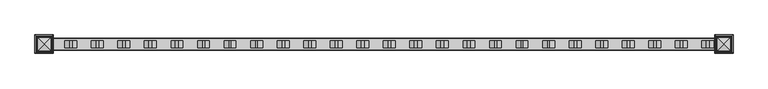
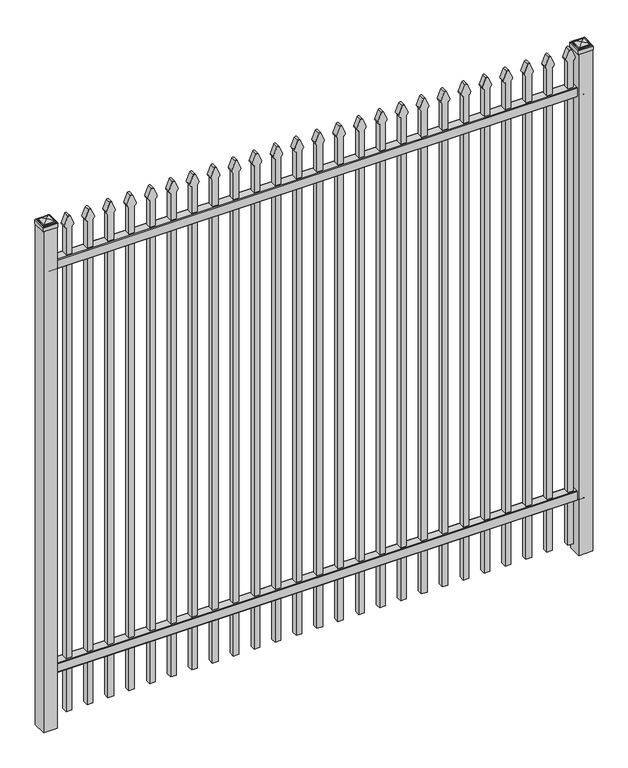
"""IFC4 building model written with IfcOpenShell, lengths in millimetres: railing geometry."""

from ifc_helpers import new_model, si_unit, point, frame, frame_2d, origin, origin_with_axes, place, context, project, spatial, polyline, circle_curve, ellipse_curve, trimmed, segment, composite_curve, outline, extrude, source, transform, mapped, element, save
from ifc_brep_helpers import plane_surface, cylinder_surface, advanced_brep


def railing_db59132d(model_context):
    return source(origin(), model_context, "Body", "SolidModel", [
        extrude(outline(composite_curve([segment(polyline([(7301.9139761, 304.8), (7339.969541, 304.8)]), True, "CONTINUOUS"), segment(trimmed(circle_curve(frame_2d((7339.969541, 301.625)), 3.175), [point((7339.969541, 304.8))], [point((7343.144541, 301.625))], False, "CARTESIAN"), True, "CONTINUOUS"), segment(polyline([(7343.144541, 301.625), (7343.144541, 262.1439893)]), True, "CONTINUOUS"), segment(trimmed(circle_curve(frame_2d((7341.3505518, 262.1439893)), 1.7939893), [point((7343.144541, 262.1439893))], [point((7341.3505518, 260.35))], False, "CARTESIAN"), True, "CONTINUOUS"), segment(polyline([(7341.3505518, 260.35), (7338.7590713, 260.35)]), True, "CONTINUOUS"), segment(trimmed(circle_curve(frame_2d((7338.7590713, 262.1359375)), 1.7859375), [point((7338.7590713, 260.35))], [point((7336.9755813, 262.0424688))], False, "CARTESIAN"), True, "CONTINUOUS"), segment(polyline([(7336.9755813, 262.0424688), (7335.4025867, 292.0569942), (7306.4364954, 292.0569942), (7304.8635007, 262.0424688)]), True, "CONTINUOUS"), segment(trimmed(circle_curve(frame_2d((7303.0800108, 262.1359375)), 1.7859375), [point((7304.8635007, 262.0424688))], [point((7303.0800108, 260.35))], False, "CARTESIAN"), True, "CONTINUOUS"), segment(polyline([(7303.0800108, 260.35), (7300.4804785, 260.35)]), True, "CONTINUOUS"), segment(trimmed(circle_curve(frame_2d((7300.4804785, 262.1359375)), 1.7859375), [point((7300.4804785, 260.35))], [point((7298.694541, 262.1359375))], False, "CARTESIAN"), True, "CONTINUOUS"), segment(polyline([(7298.694541, 262.1359375), (7298.694541, 301.5805649)]), True, "CONTINUOUS"), segment(trimmed(circle_curve(frame_2d((7301.9139761, 301.5805649)), 3.2194351), [point((7298.694541, 301.5805649))], [point((7301.9139761, 304.8))], False, "CARTESIAN"), True, "CONTINUOUS")], self_intersect=False)), frame((-33015.4649936, 0.0, 0.0), z_axis=(1.0, 0.0, 0.0), x_axis=(0.0, 1.0, 0.0)), (0.0, 0.0, 1.0), 2438.4),
        extrude(outline(composite_curve([segment(polyline([(7301.9139761, 2249.4875), (7339.969541, 2249.4875)]), True, "CONTINUOUS"), segment(trimmed(circle_curve(frame_2d((7339.969541, 2246.3125)), 3.175), [point((7339.969541, 2249.4875))], [point((7343.144541, 2246.3125))], False, "CARTESIAN"), True, "CONTINUOUS"), segment(polyline([(7343.144541, 2246.3125), (7343.144541, 2206.8314893)]), True, "CONTINUOUS"), segment(trimmed(circle_curve(frame_2d((7341.3505518, 2206.8314893)), 1.7939893), [point((7343.144541, 2206.8314893))], [point((7341.3505518, 2205.0375))], False, "CARTESIAN"), True, "CONTINUOUS"), segment(polyline([(7341.3505518, 2205.0375), (7338.7590713, 2205.0375)]), True, "CONTINUOUS"), segment(trimmed(circle_curve(frame_2d((7338.7590713, 2206.8234375)), 1.7859375), [point((7338.7590713, 2205.0375))], [point((7336.9755813, 2206.7299688))], False, "CARTESIAN"), True, "CONTINUOUS"), segment(polyline([(7336.9755813, 2206.7299688), (7335.4025867, 2236.7444942), (7306.4364954, 2236.7444942), (7304.8635007, 2206.7299688)]), True, "CONTINUOUS"), segment(trimmed(circle_curve(frame_2d((7303.0800108, 2206.8234375)), 1.7859375), [point((7304.8635007, 2206.7299688))], [point((7303.0800108, 2205.0375))], False, "CARTESIAN"), True, "CONTINUOUS"), segment(polyline([(7303.0800108, 2205.0375), (7300.4804785, 2205.0375)]), True, "CONTINUOUS"), segment(trimmed(circle_curve(frame_2d((7300.4804785, 2206.8234375)), 1.7859375), [point((7300.4804785, 2205.0375))], [point((7298.694541, 2206.8234375))], False, "CARTESIAN"), True, "CONTINUOUS"), segment(polyline([(7298.694541, 2206.8234375), (7298.694541, 2246.2680649)]), True, "CONTINUOUS"), segment(trimmed(circle_curve(frame_2d((7301.9139761, 2246.2680649)), 3.2194351), [point((7298.694541, 2246.2680649))], [point((7301.9139761, 2249.4875))], False, "CARTESIAN"), True, "CONTINUOUS")], self_intersect=False)), frame((-33015.4649936, 0.0, 0.0), z_axis=(1.0, 0.0, 0.0), x_axis=(0.0, 1.0, 0.0)), (0.0, 0.0, 1.0), 2438.4),
        extrude(outline(composite_curve([segment(polyline([(2379.0798417, -30646.9149936), (50.8, -30646.9149936), (50.8, -30621.5149936), (2378.8579232, -30621.5149936)]), True, "CONTINUOUS"), segment(trimmed(circle_curve(frame_2d((2397.3299402, -30635.3872336)), 23.1009622), [point((2378.8579232, -30621.5149936))], [point((2391.8676176, -30612.9413545))], False, "CARTESIAN"), True, "CONTINUOUS"), segment(polyline([(2391.8676176, -30612.9413545), (2432.3555225, -30629.2605644)]), True, "CONTINUOUS"), segment(trimmed(circle_curve(frame_2d((2429.2045804, -30634.3905764)), 6.0204202), [point((2432.3555225, -30629.2605644))], [point((2432.3555225, -30639.5205884))], False, "CARTESIAN"), True, "CONTINUOUS"), segment(polyline([(2432.3555225, -30639.5205884), (2393.1339948, -30655.4687724)]), True, "CONTINUOUS"), segment(trimmed(circle_curve(frame_2d((2397.3299402, -30632.7520716)), 23.1009622), [point((2393.1339948, -30655.4687724))], [point((2379.0798417, -30646.9149936))], False, "CARTESIAN"), True, "CONTINUOUS")], self_intersect=False)), frame((0.0, 7308.219541, 0.0), z_axis=(0.0, 1.0, 0.0), x_axis=(0.0, 0.0, 1.0)), (0.0, 0.0, 1.0), 25.4),
        extrude(outline(composite_curve([segment(polyline([(2379.0798417, -30742.1649936), (50.8, -30742.1649936), (50.8, -30716.7649936), (2378.8579232, -30716.7649936)]), True, "CONTINUOUS"), segment(trimmed(circle_curve(frame_2d((2397.3299402, -30730.6372336)), 23.1009622), [point((2378.8579232, -30716.7649936))], [point((2391.8676176, -30708.1913545))], False, "CARTESIAN"), True, "CONTINUOUS"), segment(polyline([(2391.8676176, -30708.1913545), (2432.3555225, -30724.5105644)]), True, "CONTINUOUS"), segment(trimmed(circle_curve(frame_2d((2429.2045804, -30729.6405764)), 6.0204202), [point((2432.3555225, -30724.5105644))], [point((2432.3555225, -30734.7705884))], False, "CARTESIAN"), True, "CONTINUOUS"), segment(polyline([(2432.3555225, -30734.7705884), (2393.1339948, -30750.7187724)]), True, "CONTINUOUS"), segment(trimmed(circle_curve(frame_2d((2397.3299402, -30728.0020716)), 23.1009622), [point((2393.1339948, -30750.7187724))], [point((2379.0798417, -30742.1649936))], False, "CARTESIAN"), True, "CONTINUOUS")], self_intersect=False)), frame((0.0, 7308.219541, 0.0), z_axis=(0.0, 1.0, 0.0), x_axis=(0.0, 0.0, 1.0)), (0.0, 0.0, 1.0), 25.4),
        extrude(outline(composite_curve([segment(polyline([(2379.0798417, -30837.4149936), (50.8, -30837.4149936), (50.8, -30812.0149936), (2378.8579232, -30812.0149936)]), True, "CONTINUOUS"), segment(trimmed(circle_curve(frame_2d((2397.3299402, -30825.8872336)), 23.1009622), [point((2378.8579232, -30812.0149936))], [point((2391.8676176, -30803.4413545))], False, "CARTESIAN"), True, "CONTINUOUS"), segment(polyline([(2391.8676176, -30803.4413545), (2432.3555225, -30819.7605644)]), True, "CONTINUOUS"), segment(trimmed(circle_curve(frame_2d((2429.2045804, -30824.8905764)), 6.0204202), [point((2432.3555225, -30819.7605644))], [point((2432.3555225, -30830.0205884))], False, "CARTESIAN"), True, "CONTINUOUS"), segment(polyline([(2432.3555225, -30830.0205884), (2393.1339948, -30845.9687724)]), True, "CONTINUOUS"), segment(trimmed(circle_curve(frame_2d((2397.3299402, -30823.2520716)), 23.1009622), [point((2393.1339948, -30845.9687724))], [point((2379.0798417, -30837.4149936))], False, "CARTESIAN"), True, "CONTINUOUS")], self_intersect=False)), frame((0.0, 7308.219541, 0.0), z_axis=(0.0, 1.0, 0.0), x_axis=(0.0, 0.0, 1.0)), (0.0, 0.0, 1.0), 25.4),
        extrude(outline(composite_curve([segment(polyline([(2379.0798417, -30932.6649936), (50.8, -30932.6649936), (50.8, -30907.2649936), (2378.8579232, -30907.2649936)]), True, "CONTINUOUS"), segment(trimmed(circle_curve(frame_2d((2397.3299402, -30921.1372336)), 23.1009622), [point((2378.8579232, -30907.2649936))], [point((2391.8676176, -30898.6913545))], False, "CARTESIAN"), True, "CONTINUOUS"), segment(polyline([(2391.8676176, -30898.6913545), (2432.3555225, -30915.0105644)]), True, "CONTINUOUS"), segment(trimmed(circle_curve(frame_2d((2429.2045804, -30920.1405764)), 6.0204202), [point((2432.3555225, -30915.0105644))], [point((2432.3555225, -30925.2705884))], False, "CARTESIAN"), True, "CONTINUOUS"), segment(polyline([(2432.3555225, -30925.2705884), (2393.1339948, -30941.2187724)]), True, "CONTINUOUS"), segment(trimmed(circle_curve(frame_2d((2397.3299402, -30918.5020716)), 23.1009622), [point((2393.1339948, -30941.2187724))], [point((2379.0798417, -30932.6649936))], False, "CARTESIAN"), True, "CONTINUOUS")], self_intersect=False)), frame((0.0, 7308.219541, 0.0), z_axis=(0.0, 1.0, 0.0), x_axis=(0.0, 0.0, 1.0)), (0.0, 0.0, 1.0), 25.4),
        extrude(outline(composite_curve([segment(polyline([(2379.0798417, -31027.9149936), (50.8, -31027.9149936), (50.8, -31002.5149936), (2378.8579232, -31002.5149936)]), True, "CONTINUOUS"), segment(trimmed(circle_curve(frame_2d((2397.3299402, -31016.3872336)), 23.1009622), [point((2378.8579232, -31002.5149936))], [point((2391.8676176, -30993.9413545))], False, "CARTESIAN"), True, "CONTINUOUS"), segment(polyline([(2391.8676176, -30993.9413545), (2432.3555225, -31010.2605644)]), True, "CONTINUOUS"), segment(trimmed(circle_curve(frame_2d((2429.2045804, -31015.3905764)), 6.0204202), [point((2432.3555225, -31010.2605644))], [point((2432.3555225, -31020.5205884))], False, "CARTESIAN"), True, "CONTINUOUS"), segment(polyline([(2432.3555225, -31020.5205884), (2393.1339948, -31036.4687724)]), True, "CONTINUOUS"), segment(trimmed(circle_curve(frame_2d((2397.3299402, -31013.7520716)), 23.1009622), [point((2393.1339948, -31036.4687724))], [point((2379.0798417, -31027.9149936))], False, "CARTESIAN"), True, "CONTINUOUS")], self_intersect=False)), frame((0.0, 7308.219541, 0.0), z_axis=(0.0, 1.0, 0.0), x_axis=(0.0, 0.0, 1.0)), (0.0, 0.0, 1.0), 25.4),
        extrude(outline(composite_curve([segment(polyline([(2379.0798417, -31123.1649936), (50.8, -31123.1649936), (50.8, -31097.7649936), (2378.8579232, -31097.7649936)]), True, "CONTINUOUS"), segment(trimmed(circle_curve(frame_2d((2397.3299402, -31111.6372336)), 23.1009622), [point((2378.8579232, -31097.7649936))], [point((2391.8676176, -31089.1913545))], False, "CARTESIAN"), True, "CONTINUOUS"), segment(polyline([(2391.8676176, -31089.1913545), (2432.3555225, -31105.5105644)]), True, "CONTINUOUS"), segment(trimmed(circle_curve(frame_2d((2429.2045804, -31110.6405764)), 6.0204202), [point((2432.3555225, -31105.5105644))], [point((2432.3555225, -31115.7705884))], False, "CARTESIAN"), True, "CONTINUOUS"), segment(polyline([(2432.3555225, -31115.7705884), (2393.1339948, -31131.7187724)]), True, "CONTINUOUS"), segment(trimmed(circle_curve(frame_2d((2397.3299402, -31109.0020716)), 23.1009622), [point((2393.1339948, -31131.7187724))], [point((2379.0798417, -31123.1649936))], False, "CARTESIAN"), True, "CONTINUOUS")], self_intersect=False)), frame((0.0, 7308.219541, 0.0), z_axis=(0.0, 1.0, 0.0), x_axis=(0.0, 0.0, 1.0)), (0.0, 0.0, 1.0), 25.4),
        extrude(outline(composite_curve([segment(polyline([(2379.0798417, -31218.4149936), (50.8, -31218.4149936), (50.8, -31193.0149936), (2378.8579232, -31193.0149936)]), True, "CONTINUOUS"), segment(trimmed(circle_curve(frame_2d((2397.3299402, -31206.8872336)), 23.1009622), [point((2378.8579232, -31193.0149936))], [point((2391.8676176, -31184.4413545))], False, "CARTESIAN"), True, "CONTINUOUS"), segment(polyline([(2391.8676176, -31184.4413545), (2432.3555225, -31200.7605644)]), True, "CONTINUOUS"), segment(trimmed(circle_curve(frame_2d((2429.2045804, -31205.8905764)), 6.0204202), [point((2432.3555225, -31200.7605644))], [point((2432.3555225, -31211.0205884))], False, "CARTESIAN"), True, "CONTINUOUS"), segment(polyline([(2432.3555225, -31211.0205884), (2393.1339948, -31226.9687724)]), True, "CONTINUOUS"), segment(trimmed(circle_curve(frame_2d((2397.3299402, -31204.2520716)), 23.1009622), [point((2393.1339948, -31226.9687724))], [point((2379.0798417, -31218.4149936))], False, "CARTESIAN"), True, "CONTINUOUS")], self_intersect=False)), frame((0.0, 7308.219541, 0.0), z_axis=(0.0, 1.0, 0.0), x_axis=(0.0, 0.0, 1.0)), (0.0, 0.0, 1.0), 25.4),
        extrude(outline(composite_curve([segment(polyline([(2379.0798417, -31313.6649936), (50.8, -31313.6649936), (50.8, -31288.2649936), (2378.8579232, -31288.2649936)]), True, "CONTINUOUS"), segment(trimmed(circle_curve(frame_2d((2397.3299402, -31302.1372336)), 23.1009622), [point((2378.8579232, -31288.2649936))], [point((2391.8676176, -31279.6913545))], False, "CARTESIAN"), True, "CONTINUOUS"), segment(polyline([(2391.8676176, -31279.6913545), (2432.3555225, -31296.0105644)]), True, "CONTINUOUS"), segment(trimmed(circle_curve(frame_2d((2429.2045804, -31301.1405764)), 6.0204202), [point((2432.3555225, -31296.0105644))], [point((2432.3555225, -31306.2705884))], False, "CARTESIAN"), True, "CONTINUOUS"), segment(polyline([(2432.3555225, -31306.2705884), (2393.1339948, -31322.2187724)]), True, "CONTINUOUS"), segment(trimmed(circle_curve(frame_2d((2397.3299402, -31299.5020716)), 23.1009622), [point((2393.1339948, -31322.2187724))], [point((2379.0798417, -31313.6649936))], False, "CARTESIAN"), True, "CONTINUOUS")], self_intersect=False)), frame((0.0, 7308.219541, 0.0), z_axis=(0.0, 1.0, 0.0), x_axis=(0.0, 0.0, 1.0)), (0.0, 0.0, 1.0), 25.4),
        extrude(outline(composite_curve([segment(polyline([(2379.0798417, -31408.9149936), (50.8, -31408.9149936), (50.8, -31383.5149936), (2378.8579232, -31383.5149936)]), True, "CONTINUOUS"), segment(trimmed(circle_curve(frame_2d((2397.3299402, -31397.3872336)), 23.1009622), [point((2378.8579232, -31383.5149936))], [point((2391.8676176, -31374.9413545))], False, "CARTESIAN"), True, "CONTINUOUS"), segment(polyline([(2391.8676176, -31374.9413545), (2432.3555225, -31391.2605644)]), True, "CONTINUOUS"), segment(trimmed(circle_curve(frame_2d((2429.2045804, -31396.3905764)), 6.0204202), [point((2432.3555225, -31391.2605644))], [point((2432.3555225, -31401.5205884))], False, "CARTESIAN"), True, "CONTINUOUS"), segment(polyline([(2432.3555225, -31401.5205884), (2393.1339948, -31417.4687724)]), True, "CONTINUOUS"), segment(trimmed(circle_curve(frame_2d((2397.3299402, -31394.7520716)), 23.1009622), [point((2393.1339948, -31417.4687724))], [point((2379.0798417, -31408.9149936))], False, "CARTESIAN"), True, "CONTINUOUS")], self_intersect=False)), frame((0.0, 7308.219541, 0.0), z_axis=(0.0, 1.0, 0.0), x_axis=(0.0, 0.0, 1.0)), (0.0, 0.0, 1.0), 25.4),
        extrude(outline(composite_curve([segment(polyline([(2379.0798417, -31504.1649936), (50.8, -31504.1649936), (50.8, -31478.7649936), (2378.8579232, -31478.7649936)]), True, "CONTINUOUS"), segment(trimmed(circle_curve(frame_2d((2397.3299402, -31492.6372336)), 23.1009622), [point((2378.8579232, -31478.7649936))], [point((2391.8676176, -31470.1913545))], False, "CARTESIAN"), True, "CONTINUOUS"), segment(polyline([(2391.8676176, -31470.1913545), (2432.3555225, -31486.5105644)]), True, "CONTINUOUS"), segment(trimmed(circle_curve(frame_2d((2429.2045804, -31491.6405764)), 6.0204202), [point((2432.3555225, -31486.5105644))], [point((2432.3555225, -31496.7705884))], False, "CARTESIAN"), True, "CONTINUOUS"), segment(polyline([(2432.3555225, -31496.7705884), (2393.1339948, -31512.7187724)]), True, "CONTINUOUS"), segment(trimmed(circle_curve(frame_2d((2397.3299402, -31490.0020716)), 23.1009622), [point((2393.1339948, -31512.7187724))], [point((2379.0798417, -31504.1649936))], False, "CARTESIAN"), True, "CONTINUOUS")], self_intersect=False)), frame((0.0, 7308.219541, 0.0), z_axis=(0.0, 1.0, 0.0), x_axis=(0.0, 0.0, 1.0)), (0.0, 0.0, 1.0), 25.4),
        extrude(outline(composite_curve([segment(polyline([(2379.0798417, -31599.4149936), (50.8, -31599.4149936), (50.8, -31574.0149936), (2378.8579232, -31574.0149936)]), True, "CONTINUOUS"), segment(trimmed(circle_curve(frame_2d((2397.3299402, -31587.8872336)), 23.1009622), [point((2378.8579232, -31574.0149936))], [point((2391.8676176, -31565.4413545))], False, "CARTESIAN"), True, "CONTINUOUS"), segment(polyline([(2391.8676176, -31565.4413545), (2432.3555225, -31581.7605644)]), True, "CONTINUOUS"), segment(trimmed(circle_curve(frame_2d((2429.2045804, -31586.8905764)), 6.0204202), [point((2432.3555225, -31581.7605644))], [point((2432.3555225, -31592.0205884))], False, "CARTESIAN"), True, "CONTINUOUS"), segment(polyline([(2432.3555225, -31592.0205884), (2393.1339948, -31607.9687724)]), True, "CONTINUOUS"), segment(trimmed(circle_curve(frame_2d((2397.3299402, -31585.2520716)), 23.1009622), [point((2393.1339948, -31607.9687724))], [point((2379.0798417, -31599.4149936))], False, "CARTESIAN"), True, "CONTINUOUS")], self_intersect=False)), frame((0.0, 7308.219541, 0.0), z_axis=(0.0, 1.0, 0.0), x_axis=(0.0, 0.0, 1.0)), (0.0, 0.0, 1.0), 25.4),
        extrude(outline(composite_curve([segment(polyline([(2379.0798417, -31694.6649936), (50.8, -31694.6649936), (50.8, -31669.2649936), (2378.8579232, -31669.2649936)]), True, "CONTINUOUS"), segment(trimmed(circle_curve(frame_2d((2397.3299402, -31683.1372336)), 23.1009622), [point((2378.8579232, -31669.2649936))], [point((2391.8676176, -31660.6913545))], False, "CARTESIAN"), True, "CONTINUOUS"), segment(polyline([(2391.8676176, -31660.6913545), (2432.3555225, -31677.0105644)]), True, "CONTINUOUS"), segment(trimmed(circle_curve(frame_2d((2429.2045804, -31682.1405764)), 6.0204202), [point((2432.3555225, -31677.0105644))], [point((2432.3555225, -31687.2705884))], False, "CARTESIAN"), True, "CONTINUOUS"), segment(polyline([(2432.3555225, -31687.2705884), (2393.1339948, -31703.2187724)]), True, "CONTINUOUS"), segment(trimmed(circle_curve(frame_2d((2397.3299402, -31680.5020716)), 23.1009622), [point((2393.1339948, -31703.2187724))], [point((2379.0798417, -31694.6649936))], False, "CARTESIAN"), True, "CONTINUOUS")], self_intersect=False)), frame((0.0, 7308.219541, 0.0), z_axis=(0.0, 1.0, 0.0), x_axis=(0.0, 0.0, 1.0)), (0.0, 0.0, 1.0), 25.4),
        extrude(outline(composite_curve([segment(polyline([(2379.0798417, -31789.9149936), (50.8, -31789.9149936), (50.8, -31764.5149936), (2378.8579232, -31764.5149936)]), True, "CONTINUOUS"), segment(trimmed(circle_curve(frame_2d((2397.3299402, -31778.3872336)), 23.1009622), [point((2378.8579232, -31764.5149936))], [point((2391.8676176, -31755.9413545))], False, "CARTESIAN"), True, "CONTINUOUS"), segment(polyline([(2391.8676176, -31755.9413545), (2432.3555225, -31772.2605644)]), True, "CONTINUOUS"), segment(trimmed(circle_curve(frame_2d((2429.2045804, -31777.3905764)), 6.0204202), [point((2432.3555225, -31772.2605644))], [point((2432.3555225, -31782.5205884))], False, "CARTESIAN"), True, "CONTINUOUS"), segment(polyline([(2432.3555225, -31782.5205884), (2393.1339948, -31798.4687724)]), True, "CONTINUOUS"), segment(trimmed(circle_curve(frame_2d((2397.3299402, -31775.7520716)), 23.1009622), [point((2393.1339948, -31798.4687724))], [point((2379.0798417, -31789.9149936))], False, "CARTESIAN"), True, "CONTINUOUS")], self_intersect=False)), frame((0.0, 7308.219541, 0.0), z_axis=(0.0, 1.0, 0.0), x_axis=(0.0, 0.0, 1.0)), (0.0, 0.0, 1.0), 25.4),
        extrude(outline(composite_curve([segment(polyline([(2379.0798417, -31885.1649936), (50.8, -31885.1649936), (50.8, -31859.7649936), (2378.8579232, -31859.7649936)]), True, "CONTINUOUS"), segment(trimmed(circle_curve(frame_2d((2397.3299402, -31873.6372336)), 23.1009622), [point((2378.8579232, -31859.7649936))], [point((2391.8676176, -31851.1913545))], False, "CARTESIAN"), True, "CONTINUOUS"), segment(polyline([(2391.8676176, -31851.1913545), (2432.3555225, -31867.5105644)]), True, "CONTINUOUS"), segment(trimmed(circle_curve(frame_2d((2429.2045804, -31872.6405764)), 6.0204202), [point((2432.3555225, -31867.5105644))], [point((2432.3555225, -31877.7705884))], False, "CARTESIAN"), True, "CONTINUOUS"), segment(polyline([(2432.3555225, -31877.7705884), (2393.1339948, -31893.7187724)]), True, "CONTINUOUS"), segment(trimmed(circle_curve(frame_2d((2397.3299402, -31871.0020716)), 23.1009622), [point((2393.1339948, -31893.7187724))], [point((2379.0798417, -31885.1649936))], False, "CARTESIAN"), True, "CONTINUOUS")], self_intersect=False)), frame((0.0, 7308.219541, 0.0), z_axis=(0.0, 1.0, 0.0), x_axis=(0.0, 0.0, 1.0)), (0.0, 0.0, 1.0), 25.4),
        extrude(outline(composite_curve([segment(polyline([(2379.0798417, -31980.4149936), (50.8, -31980.4149936), (50.8, -31955.0149936), (2378.8579232, -31955.0149936)]), True, "CONTINUOUS"), segment(trimmed(circle_curve(frame_2d((2397.3299402, -31968.8872336)), 23.1009622), [point((2378.8579232, -31955.0149936))], [point((2391.8676176, -31946.4413545))], False, "CARTESIAN"), True, "CONTINUOUS"), segment(polyline([(2391.8676176, -31946.4413545), (2432.3555225, -31962.7605644)]), True, "CONTINUOUS"), segment(trimmed(circle_curve(frame_2d((2429.2045804, -31967.8905764)), 6.0204202), [point((2432.3555225, -31962.7605644))], [point((2432.3555225, -31973.0205884))], False, "CARTESIAN"), True, "CONTINUOUS"), segment(polyline([(2432.3555225, -31973.0205884), (2393.1339948, -31988.9687724)]), True, "CONTINUOUS"), segment(trimmed(circle_curve(frame_2d((2397.3299402, -31966.2520716)), 23.1009622), [point((2393.1339948, -31988.9687724))], [point((2379.0798417, -31980.4149936))], False, "CARTESIAN"), True, "CONTINUOUS")], self_intersect=False)), frame((0.0, 7308.219541, 0.0), z_axis=(0.0, 1.0, 0.0), x_axis=(0.0, 0.0, 1.0)), (0.0, 0.0, 1.0), 25.4),
        extrude(outline(composite_curve([segment(polyline([(2379.0798417, -32075.6649936), (50.8, -32075.6649936), (50.8, -32050.2649936), (2378.8579232, -32050.2649936)]), True, "CONTINUOUS"), segment(trimmed(circle_curve(frame_2d((2397.3299402, -32064.1372336)), 23.1009622), [point((2378.8579232, -32050.2649936))], [point((2391.8676176, -32041.6913545))], False, "CARTESIAN"), True, "CONTINUOUS"), segment(polyline([(2391.8676176, -32041.6913545), (2432.3555225, -32058.0105644)]), True, "CONTINUOUS"), segment(trimmed(circle_curve(frame_2d((2429.2045804, -32063.1405764)), 6.0204202), [point((2432.3555225, -32058.0105644))], [point((2432.3555225, -32068.2705884))], False, "CARTESIAN"), True, "CONTINUOUS"), segment(polyline([(2432.3555225, -32068.2705884), (2393.1339948, -32084.2187724)]), True, "CONTINUOUS"), segment(trimmed(circle_curve(frame_2d((2397.3299402, -32061.5020716)), 23.1009622), [point((2393.1339948, -32084.2187724))], [point((2379.0798417, -32075.6649936))], False, "CARTESIAN"), True, "CONTINUOUS")], self_intersect=False)), frame((0.0, 7308.219541, 0.0), z_axis=(0.0, 1.0, 0.0), x_axis=(0.0, 0.0, 1.0)), (0.0, 0.0, 1.0), 25.4),
        extrude(outline(composite_curve([segment(polyline([(2379.0798417, -32170.9149936), (50.8, -32170.9149936), (50.8, -32145.5149936), (2378.8579232, -32145.5149936)]), True, "CONTINUOUS"), segment(trimmed(circle_curve(frame_2d((2397.3299402, -32159.3872336)), 23.1009622), [point((2378.8579232, -32145.5149936))], [point((2391.8676176, -32136.9413545))], False, "CARTESIAN"), True, "CONTINUOUS"), segment(polyline([(2391.8676176, -32136.9413545), (2432.3555225, -32153.2605644)]), True, "CONTINUOUS"), segment(trimmed(circle_curve(frame_2d((2429.2045804, -32158.3905764)), 6.0204202), [point((2432.3555225, -32153.2605644))], [point((2432.3555225, -32163.5205884))], False, "CARTESIAN"), True, "CONTINUOUS"), segment(polyline([(2432.3555225, -32163.5205884), (2393.1339948, -32179.4687724)]), True, "CONTINUOUS"), segment(trimmed(circle_curve(frame_2d((2397.3299402, -32156.7520716)), 23.1009622), [point((2393.1339948, -32179.4687724))], [point((2379.0798417, -32170.9149936))], False, "CARTESIAN"), True, "CONTINUOUS")], self_intersect=False)), frame((0.0, 7308.219541, 0.0), z_axis=(0.0, 1.0, 0.0), x_axis=(0.0, 0.0, 1.0)), (0.0, 0.0, 1.0), 25.4),
        extrude(outline(composite_curve([segment(polyline([(2379.0798417, -32266.1649936), (50.8, -32266.1649936), (50.8, -32240.7649936), (2378.8579232, -32240.7649936)]), True, "CONTINUOUS"), segment(trimmed(circle_curve(frame_2d((2397.3299402, -32254.6372336)), 23.1009622), [point((2378.8579232, -32240.7649936))], [point((2391.8676176, -32232.1913545))], False, "CARTESIAN"), True, "CONTINUOUS"), segment(polyline([(2391.8676176, -32232.1913545), (2432.3555225, -32248.5105644)]), True, "CONTINUOUS"), segment(trimmed(circle_curve(frame_2d((2429.2045804, -32253.6405764)), 6.0204202), [point((2432.3555225, -32248.5105644))], [point((2432.3555225, -32258.7705884))], False, "CARTESIAN"), True, "CONTINUOUS"), segment(polyline([(2432.3555225, -32258.7705884), (2393.1339948, -32274.7187724)]), True, "CONTINUOUS"), segment(trimmed(circle_curve(frame_2d((2397.3299402, -32252.0020716)), 23.1009622), [point((2393.1339948, -32274.7187724))], [point((2379.0798417, -32266.1649936))], False, "CARTESIAN"), True, "CONTINUOUS")], self_intersect=False)), frame((0.0, 7308.219541, 0.0), z_axis=(0.0, 1.0, 0.0), x_axis=(0.0, 0.0, 1.0)), (0.0, 0.0, 1.0), 25.4),
        extrude(outline(composite_curve([segment(polyline([(2379.0798417, -32361.4149936), (50.8, -32361.4149936), (50.8, -32336.0149936), (2378.8579232, -32336.0149936)]), True, "CONTINUOUS"), segment(trimmed(circle_curve(frame_2d((2397.3299402, -32349.8872336)), 23.1009622), [point((2378.8579232, -32336.0149936))], [point((2391.8676176, -32327.4413545))], False, "CARTESIAN"), True, "CONTINUOUS"), segment(polyline([(2391.8676176, -32327.4413545), (2432.3555225, -32343.7605644)]), True, "CONTINUOUS"), segment(trimmed(circle_curve(frame_2d((2429.2045804, -32348.8905764)), 6.0204202), [point((2432.3555225, -32343.7605644))], [point((2432.3555225, -32354.0205884))], False, "CARTESIAN"), True, "CONTINUOUS"), segment(polyline([(2432.3555225, -32354.0205884), (2393.1339948, -32369.9687724)]), True, "CONTINUOUS"), segment(trimmed(circle_curve(frame_2d((2397.3299402, -32347.2520716)), 23.1009622), [point((2393.1339948, -32369.9687724))], [point((2379.0798417, -32361.4149936))], False, "CARTESIAN"), True, "CONTINUOUS")], self_intersect=False)), frame((0.0, 7308.219541, 0.0), z_axis=(0.0, 1.0, 0.0), x_axis=(0.0, 0.0, 1.0)), (0.0, 0.0, 1.0), 25.4),
        extrude(outline(composite_curve([segment(polyline([(2379.0798417, -32456.6649936), (50.8, -32456.6649936), (50.8, -32431.2649936), (2378.8579232, -32431.2649936)]), True, "CONTINUOUS"), segment(trimmed(circle_curve(frame_2d((2397.3299402, -32445.1372336)), 23.1009622), [point((2378.8579232, -32431.2649936))], [point((2391.8676176, -32422.6913545))], False, "CARTESIAN"), True, "CONTINUOUS"), segment(polyline([(2391.8676176, -32422.6913545), (2432.3555225, -32439.0105644)]), True, "CONTINUOUS"), segment(trimmed(circle_curve(frame_2d((2429.2045804, -32444.1405764)), 6.0204202), [point((2432.3555225, -32439.0105644))], [point((2432.3555225, -32449.2705884))], False, "CARTESIAN"), True, "CONTINUOUS"), segment(polyline([(2432.3555225, -32449.2705884), (2393.1339948, -32465.2187724)]), True, "CONTINUOUS"), segment(trimmed(circle_curve(frame_2d((2397.3299402, -32442.5020716)), 23.1009622), [point((2393.1339948, -32465.2187724))], [point((2379.0798417, -32456.6649936))], False, "CARTESIAN"), True, "CONTINUOUS")], self_intersect=False)), frame((0.0, 7308.219541, 0.0), z_axis=(0.0, 1.0, 0.0), x_axis=(0.0, 0.0, 1.0)), (0.0, 0.0, 1.0), 25.4),
        extrude(outline(composite_curve([segment(polyline([(2379.0798417, -32551.9149936), (50.8, -32551.9149936), (50.8, -32526.5149936), (2378.8579232, -32526.5149936)]), True, "CONTINUOUS"), segment(trimmed(circle_curve(frame_2d((2397.3299402, -32540.3872336)), 23.1009622), [point((2378.8579232, -32526.5149936))], [point((2391.8676176, -32517.9413545))], False, "CARTESIAN"), True, "CONTINUOUS"), segment(polyline([(2391.8676176, -32517.9413545), (2432.3555225, -32534.2605644)]), True, "CONTINUOUS"), segment(trimmed(circle_curve(frame_2d((2429.2045804, -32539.3905764)), 6.0204202), [point((2432.3555225, -32534.2605644))], [point((2432.3555225, -32544.5205884))], False, "CARTESIAN"), True, "CONTINUOUS"), segment(polyline([(2432.3555225, -32544.5205884), (2393.1339948, -32560.4687724)]), True, "CONTINUOUS"), segment(trimmed(circle_curve(frame_2d((2397.3299402, -32537.7520716)), 23.1009622), [point((2393.1339948, -32560.4687724))], [point((2379.0798417, -32551.9149936))], False, "CARTESIAN"), True, "CONTINUOUS")], self_intersect=False)), frame((0.0, 7308.219541, 0.0), z_axis=(0.0, 1.0, 0.0), x_axis=(0.0, 0.0, 1.0)), (0.0, 0.0, 1.0), 25.4),
        extrude(outline(composite_curve([segment(polyline([(2379.0798417, -32647.1649936), (50.8, -32647.1649936), (50.8, -32621.7649936), (2378.8579232, -32621.7649936)]), True, "CONTINUOUS"), segment(trimmed(circle_curve(frame_2d((2397.3299402, -32635.6372336)), 23.1009622), [point((2378.8579232, -32621.7649936))], [point((2391.8676176, -32613.1913545))], False, "CARTESIAN"), True, "CONTINUOUS"), segment(polyline([(2391.8676176, -32613.1913545), (2432.3555225, -32629.5105644)]), True, "CONTINUOUS"), segment(trimmed(circle_curve(frame_2d((2429.2045804, -32634.6405764)), 6.0204202), [point((2432.3555225, -32629.5105644))], [point((2432.3555225, -32639.7705884))], False, "CARTESIAN"), True, "CONTINUOUS"), segment(polyline([(2432.3555225, -32639.7705884), (2393.1339948, -32655.7187724)]), True, "CONTINUOUS"), segment(trimmed(circle_curve(frame_2d((2397.3299402, -32633.0020716)), 23.1009622), [point((2393.1339948, -32655.7187724))], [point((2379.0798417, -32647.1649936))], False, "CARTESIAN"), True, "CONTINUOUS")], self_intersect=False)), frame((0.0, 7308.219541, 0.0), z_axis=(0.0, 1.0, 0.0), x_axis=(0.0, 0.0, 1.0)), (0.0, 0.0, 1.0), 25.4),
        extrude(outline(composite_curve([segment(polyline([(2379.0798417, -32742.4149936), (50.8, -32742.4149936), (50.8, -32717.0149936), (2378.8579232, -32717.0149936)]), True, "CONTINUOUS"), segment(trimmed(circle_curve(frame_2d((2397.3299402, -32730.8872336)), 23.1009622), [point((2378.8579232, -32717.0149936))], [point((2391.8676176, -32708.4413545))], False, "CARTESIAN"), True, "CONTINUOUS"), segment(polyline([(2391.8676176, -32708.4413545), (2432.3555225, -32724.7605644)]), True, "CONTINUOUS"), segment(trimmed(circle_curve(frame_2d((2429.2045804, -32729.8905764)), 6.0204202), [point((2432.3555225, -32724.7605644))], [point((2432.3555225, -32735.0205884))], False, "CARTESIAN"), True, "CONTINUOUS"), segment(polyline([(2432.3555225, -32735.0205884), (2393.1339948, -32750.9687724)]), True, "CONTINUOUS"), segment(trimmed(circle_curve(frame_2d((2397.3299402, -32728.2520716)), 23.1009622), [point((2393.1339948, -32750.9687724))], [point((2379.0798417, -32742.4149936))], False, "CARTESIAN"), True, "CONTINUOUS")], self_intersect=False)), frame((0.0, 7308.219541, 0.0), z_axis=(0.0, 1.0, 0.0), x_axis=(0.0, 0.0, 1.0)), (0.0, 0.0, 1.0), 25.4),
        extrude(outline(composite_curve([segment(polyline([(2379.0798417, -32837.6649936), (50.8, -32837.6649936), (50.8, -32812.2649936), (2378.8579232, -32812.2649936)]), True, "CONTINUOUS"), segment(trimmed(circle_curve(frame_2d((2397.3299402, -32826.1372336)), 23.1009622), [point((2378.8579232, -32812.2649936))], [point((2391.8676176, -32803.6913545))], False, "CARTESIAN"), True, "CONTINUOUS"), segment(polyline([(2391.8676176, -32803.6913545), (2432.3555225, -32820.0105644)]), True, "CONTINUOUS"), segment(trimmed(circle_curve(frame_2d((2429.2045804, -32825.1405764)), 6.0204202), [point((2432.3555225, -32820.0105644))], [point((2432.3555225, -32830.2705884))], False, "CARTESIAN"), True, "CONTINUOUS"), segment(polyline([(2432.3555225, -32830.2705884), (2393.1339948, -32846.2187724)]), True, "CONTINUOUS"), segment(trimmed(circle_curve(frame_2d((2397.3299402, -32823.5020716)), 23.1009622), [point((2393.1339948, -32846.2187724))], [point((2379.0798417, -32837.6649936))], False, "CARTESIAN"), True, "CONTINUOUS")], self_intersect=False)), frame((0.0, 7308.219541, 0.0), z_axis=(0.0, 1.0, 0.0), x_axis=(0.0, 0.0, 1.0)), (0.0, 0.0, 1.0), 25.4),
        extrude(outline(composite_curve([segment(polyline([(2379.0798417, -32932.9149936), (50.8, -32932.9149936), (50.8, -32907.5149936), (2378.8579232, -32907.5149936)]), True, "CONTINUOUS"), segment(trimmed(circle_curve(frame_2d((2397.3299402, -32921.3872336)), 23.1009622), [point((2378.8579232, -32907.5149936))], [point((2391.8676176, -32898.9413545))], False, "CARTESIAN"), True, "CONTINUOUS"), segment(polyline([(2391.8676176, -32898.9413545), (2432.3555225, -32915.2605644)]), True, "CONTINUOUS"), segment(trimmed(circle_curve(frame_2d((2429.2045804, -32920.3905764)), 6.0204202), [point((2432.3555225, -32915.2605644))], [point((2432.3555225, -32925.5205884))], False, "CARTESIAN"), True, "CONTINUOUS"), segment(polyline([(2432.3555225, -32925.5205884), (2393.1339948, -32941.4687724)]), True, "CONTINUOUS"), segment(trimmed(circle_curve(frame_2d((2397.3299402, -32918.7520716)), 23.1009622), [point((2393.1339948, -32941.4687724))], [point((2379.0798417, -32932.9149936))], False, "CARTESIAN"), True, "CONTINUOUS")], self_intersect=False)), frame((0.0, 7308.219541, 0.0), z_axis=(0.0, 1.0, 0.0), x_axis=(0.0, 0.0, 1.0)), (0.0, 0.0, 1.0), 25.4),
        extrude(outline(polyline([(-30545.3149936, 7352.669541), (-30545.3149936, 7289.169541), (-30608.8149936, 7289.169541), (-30608.8149936, 7352.669541), (-30545.3149936, 7352.669541)])), origin_with_axes(), (0.0, 0.0, 1.0), 2414.5875),
        advanced_brep(
        [(-30610.4024936, 7354.257041, 2432.84375), (-30610.4024936, 7354.257041, 2414.5875), (-30610.4024936, 7287.582041, 2414.5875), (-30610.4024936, 7287.582041, 2432.84375), (-30608.0212436, 7351.875791, 2435.225), (-30608.0212436, 7289.963291, 2435.225), (-30605.6399936, 7349.494541, 2437.60625), (-30605.6399936, 7349.494541, 2435.225), (-30605.6399936, 7292.344541, 2435.225), (-30605.6399936, 7292.344541, 2437.60625), (-30603.2587436, 7347.113291, 2439.9875), (-30603.2587436, 7294.725791, 2439.9875), (-30577.0649936, 7320.919541, 2446.3375), (-30600.8774936, 7344.732041, 2439.9875), (-30600.8774936, 7297.107041, 2439.9875), (-30543.7274936, 7287.582041, 2414.5875), (-30543.7274936, 7287.582041, 2432.84375), (-30546.1087436, 7289.963291, 2435.225), (-30548.4899936, 7292.344541, 2435.225), (-30548.4899936, 7292.344541, 2437.60625), (-30550.8712436, 7294.725791, 2439.9875), (-30553.2524936, 7297.107041, 2439.9875), (-30543.7274936, 7354.257041, 2414.5875), (-30543.7274936, 7354.257041, 2432.84375), (-30546.1087436, 7351.875791, 2435.225), (-30548.4899936, 7349.494541, 2435.225), (-30548.4899936, 7349.494541, 2437.60625), (-30550.8712436, 7347.113291, 2439.9875), (-30553.2524936, 7344.732041, 2439.9875)],
        [
            (0, 1),
            (1, 2),
            (2, 3),
            (3, 0),
            (4, 0, ellipse_curve(frame((-30608.0212436, 7351.875791, 2432.84375), z_axis=(-0.70710678118655, -0.7071067811865449, 0.0), x_axis=(-0.7071067811865448, 0.7071067811865501, 0.0)), 3.367596, 2.38125)),
            (3, 5, ellipse_curve(frame((-30608.0212436, 7289.963291, 2432.84375), z_axis=(-0.7071067811865449, 0.70710678118655, 0.0), x_axis=(0.7071067811865499, 0.707106781186545, 0.0)), 3.367596, 2.38125)),
            (5, 4),
            (6, 7),
            (7, 8),
            (8, 9),
            (9, 6),
            (10, 6, ellipse_curve(frame((-30603.2587436, 7347.113291, 2437.60625), z_axis=(-0.70710678118655, -0.7071067811865449, 0.0), x_axis=(-0.7071067811865448, 0.7071067811865501, 0.0)), 3.367596, 2.38125)),
            (9, 11, ellipse_curve(frame((-30603.2587436, 7294.725791, 2437.60625), z_axis=(-0.7071067811865449, 0.70710678118655, 0.0), x_axis=(0.7071067811865499, 0.707106781186545, 0.0)), 3.367596, 2.38125)),
            (11, 10),
            (12, 13, ellipse_curve(frame((-30577.0649936, 7320.919541, 2398.5140625), z_axis=(-0.70710678118655, -0.7071067811865449, 0.0), x_axis=(-0.7071067811865448, 0.7071067811865501, 0.0)), 67.6325539, 47.8234375)),
            (13, 14),
            (14, 12, ellipse_curve(frame((-30577.0649936, 7320.919541, 2398.5140625), z_axis=(-0.7071067811865449, 0.70710678118655, 0.0), x_axis=(0.7071067811865499, 0.707106781186545, 0.0)), 67.6325539, 47.8234375)),
            (2, 15),
            (15, 16),
            (16, 3),
            (16, 17, ellipse_curve(frame((-30546.1087436, 7289.963291, 2432.84375), z_axis=(-0.70710678118655, -0.707106781186545, 0.0), x_axis=(-0.707106781186545, 0.70710678118655, 0.0)), 3.367596, 2.38125)),
            (17, 5),
            (8, 18),
            (18, 19),
            (19, 9),
            (19, 20, ellipse_curve(frame((-30550.8712436, 7294.725791, 2437.60625), z_axis=(-0.70710678118655, -0.707106781186545, 0.0), x_axis=(-0.707106781186545, 0.70710678118655, 0.0)), 3.367596, 2.38125)),
            (20, 11),
            (14, 21),
            (21, 12, ellipse_curve(frame((-30577.0649936, 7320.919541, 2398.5140625), z_axis=(-0.70710678118655, -0.707106781186545, 0.0), x_axis=(-0.707106781186545, 0.70710678118655, 0.0)), 67.6325539, 47.8234375)),
            (15, 22),
            (22, 23),
            (23, 16),
            (23, 24, ellipse_curve(frame((-30546.1087436, 7351.875791, 2432.84375), z_axis=(0.707106781186545, -0.7071067811865499, 0.0), x_axis=(-0.7071067811865497, -0.7071067811865452, 0.0)), 3.367596, 2.38125)),
            (24, 17),
            (18, 25),
            (25, 26),
            (26, 19),
            (26, 27, ellipse_curve(frame((-30550.8712436, 7347.113291, 2437.60625), z_axis=(0.707106781186545, -0.7071067811865499, 0.0), x_axis=(-0.7071067811865497, -0.7071067811865452, 0.0)), 3.367596, 2.38125)),
            (27, 20),
            (21, 28),
            (28, 12, ellipse_curve(frame((-30577.0649936, 7320.919541, 2398.5140625), z_axis=(0.707106781186545, -0.7071067811865499, 0.0), x_axis=(-0.7071067811865497, -0.7071067811865452, 0.0)), 67.6325539, 47.8234375)),
            (22, 1),
            (0, 23),
            (4, 24),
            (7, 25),
            (6, 26),
            (10, 27),
            (13, 28),
        ],
        [
            plane_surface(frame((-30610.4024936, 7354.257041, 2414.5875), z_axis=(-1.0, 0.0, 0.0), x_axis=(0.0, -1.0, 0.0))),
            cylinder_surface(frame((-30608.0212436, 7352.669541, 2432.84375), z_axis=(0.0, 1.0, 0.0), x_axis=(1.0, 0.0, 0.0)), 2.38125),
            plane_surface(frame((-30605.6399936, 7349.494541, 2435.225), z_axis=(-1.0, 0.0, 0.0), x_axis=(0.0, -1.0, 0.0))),
            cylinder_surface(frame((-30603.2587436, 7352.669541, 2437.60625), z_axis=(0.0, 1.0, 0.0), x_axis=(1.0, 0.0, 0.0)), 2.38125),
            cylinder_surface(frame((-30577.0649936, 7352.669541, 2398.5140625), z_axis=(0.0, 1.0, 0.0), x_axis=(1.0, 0.0, 0.0)), 47.8234375),
            plane_surface(frame((-30610.4024936, 7287.582041, 2414.5875), z_axis=(0.0, -1.0, 0.0), x_axis=(1.0, 0.0, 0.0))),
            cylinder_surface(frame((-30608.8149936, 7289.963291, 2432.84375), z_axis=(-1.0, 0.0, 0.0), x_axis=(0.0, 1.0, 0.0)), 2.38125),
            plane_surface(frame((-30605.6399936, 7292.344541, 2435.225), z_axis=(0.0, -1.0, 0.0), x_axis=(1.0, 0.0, 0.0))),
            cylinder_surface(frame((-30608.8149936, 7294.725791, 2437.60625), z_axis=(-1.0, 0.0, 0.0), x_axis=(0.0, 1.0, 0.0)), 2.38125),
            cylinder_surface(frame((-30608.8149936, 7320.919541, 2398.5140625), z_axis=(-1.0, 0.0, 0.0), x_axis=(0.0, 1.0, 0.0)), 47.8234375),
            plane_surface(frame((-30543.7274936, 7287.582041, 2414.5875), z_axis=(1.0, 0.0, 0.0), x_axis=(0.0, 1.0, 0.0))),
            cylinder_surface(frame((-30546.1087436, 7289.169541, 2432.84375), z_axis=(0.0, -1.0, 0.0), x_axis=(-1.0, 0.0, 0.0)), 2.38125),
            plane_surface(frame((-30548.4899936, 7292.344541, 2435.225), z_axis=(1.0, 0.0, 0.0), x_axis=(0.0, 1.0, 0.0))),
            cylinder_surface(frame((-30550.8712436, 7289.169541, 2437.60625), z_axis=(0.0, -1.0, 0.0), x_axis=(-1.0, 0.0, 0.0)), 2.38125),
            cylinder_surface(frame((-30577.0649936, 7289.169541, 2398.5140625), z_axis=(0.0, -1.0, 0.0), x_axis=(-1.0, 0.0, 0.0)), 47.8234375),
            plane_surface(frame((-30543.7274936, 7354.257041, 2414.5875), z_axis=(0.0, 1.0, 0.0), x_axis=(-1.0, 0.0, 0.0))),
            cylinder_surface(frame((-30545.3149936, 7351.875791, 2432.84375), z_axis=(1.0, 0.0, 0.0), x_axis=(0.0, -1.0, 0.0)), 2.38125),
            plane_surface(frame((-30546.1087436, 7351.875791, 2435.225), z_axis=(0.0, 0.0, 1.0), x_axis=(-1.0, 0.0, 0.0))),
            plane_surface(frame((-30548.4899936, 7349.494541, 2435.225), z_axis=(0.0, 1.0, 0.0), x_axis=(-1.0, 0.0, 0.0))),
            cylinder_surface(frame((-30545.3149936, 7347.113291, 2437.60625), z_axis=(1.0, 0.0, 0.0), x_axis=(0.0, -1.0, 0.0)), 2.38125),
            plane_surface(frame((-30550.8712436, 7347.113291, 2439.9875), z_axis=(0.0, 0.0, 1.0), x_axis=(-1.0, 0.0, 0.0))),
            cylinder_surface(frame((-30545.3149936, 7320.919541, 2398.5140625), z_axis=(1.0, 0.0, 0.0), x_axis=(0.0, -1.0, 0.0)), 47.8234375),
            plane_surface(frame((-30577.0649936, 7320.919541, 2414.5875), z_axis=(0.0, 0.0, -1.0), x_axis=(-1.0, 0.0, 0.0))),
        ],
        [
            (0, [[1, 2, 3, 4]]),
            (1, [[5, -4, 6, 7]]),
            (2, [[8, 9, 10, 11]]),
            (3, [[12, -11, 13, 14]]),
            (4, [[15, 16, 17]]),
            (5, [[-3, 18, 19, 20]]),
            (6, [[-6, -20, 21, 22]]),
            (7, [[-10, 23, 24, 25]]),
            (8, [[-13, -25, 26, 27]]),
            (9, [[-17, 28, 29]]),
            (10, [[-19, 30, 31, 32]]),
            (11, [[-21, -32, 33, 34]]),
            (12, [[-24, 35, 36, 37]]),
            (13, [[-26, -37, 38, 39]]),
            (14, [[-29, 40, 41]]),
            (15, [[-31, 42, -1, 43]]),
            (16, [[-33, -43, -5, 44]]),
            (17, [[-22, -34, -44, -7], [45, -35, -23, -9]]),
            (18, [[-36, -45, -8, 46]]),
            (19, [[-38, -46, -12, 47]]),
            (20, [[-27, -39, -47, -14], [48, -40, -28, -16]]),
            (21, [[-41, -48, -15]]),
            (22, [[-42, -30, -18, -2]]),
        ],
    ),
        extrude(outline(polyline([(-32983.7149936, 7352.669541), (-32983.7149936, 7289.169541), (-33047.2149936, 7289.169541), (-33047.2149936, 7352.669541), (-32983.7149936, 7352.669541)])), origin_with_axes(), (0.0, 0.0, 1.0), 2414.5875),
        advanced_brep(
        [(-33048.8024936, 7354.257041, 2432.84375), (-33048.8024936, 7354.257041, 2414.5875), (-33048.8024936, 7287.582041, 2414.5875), (-33048.8024936, 7287.582041, 2432.84375), (-33046.4212436, 7351.875791, 2435.225), (-33046.4212436, 7289.963291, 2435.225), (-33044.0399936, 7349.494541, 2437.60625), (-33044.0399936, 7349.494541, 2435.225), (-33044.0399936, 7292.344541, 2435.225), (-33044.0399936, 7292.344541, 2437.60625), (-33041.6587436, 7347.113291, 2439.9875), (-33041.6587436, 7294.725791, 2439.9875), (-33015.4649936, 7320.919541, 2446.3375), (-33039.2774936, 7344.732041, 2439.9875), (-33039.2774936, 7297.107041, 2439.9875), (-32982.1274936, 7287.582041, 2414.5875), (-32982.1274936, 7287.582041, 2432.84375), (-32984.5087436, 7289.963291, 2435.225), (-32986.8899936, 7292.344541, 2435.225), (-32986.8899936, 7292.344541, 2437.60625), (-32989.2712436, 7294.725791, 2439.9875), (-32991.6524936, 7297.107041, 2439.9875), (-32982.1274936, 7354.257041, 2414.5875), (-32982.1274936, 7354.257041, 2432.84375), (-32984.5087436, 7351.875791, 2435.225), (-32986.8899936, 7349.494541, 2435.225), (-32986.8899936, 7349.494541, 2437.60625), (-32989.2712436, 7347.113291, 2439.9875), (-32991.6524936, 7344.732041, 2439.9875)],
        [
            (0, 1),
            (1, 2),
            (2, 3),
            (3, 0),
            (4, 0, ellipse_curve(frame((-33046.4212436, 7351.875791, 2432.84375), z_axis=(-0.70710678118655, -0.7071067811865449, 0.0), x_axis=(-0.7071067811865448, 0.7071067811865501, 0.0)), 3.367596, 2.38125)),
            (3, 5, ellipse_curve(frame((-33046.4212436, 7289.963291, 2432.84375), z_axis=(-0.7071067811865449, 0.70710678118655, 0.0), x_axis=(0.7071067811865499, 0.707106781186545, 0.0)), 3.367596, 2.38125)),
            (5, 4),
            (6, 7),
            (7, 8),
            (8, 9),
            (9, 6),
            (10, 6, ellipse_curve(frame((-33041.6587436, 7347.113291, 2437.60625), z_axis=(-0.70710678118655, -0.7071067811865449, 0.0), x_axis=(-0.7071067811865448, 0.7071067811865501, 0.0)), 3.367596, 2.38125)),
            (9, 11, ellipse_curve(frame((-33041.6587436, 7294.725791, 2437.60625), z_axis=(-0.7071067811865449, 0.70710678118655, 0.0), x_axis=(0.7071067811865499, 0.707106781186545, 0.0)), 3.367596, 2.38125)),
            (11, 10),
            (12, 13, ellipse_curve(frame((-33015.4649936, 7320.919541, 2398.5140625), z_axis=(-0.70710678118655, -0.7071067811865449, 0.0), x_axis=(-0.7071067811865448, 0.7071067811865501, 0.0)), 67.6325539, 47.8234375)),
            (13, 14),
            (14, 12, ellipse_curve(frame((-33015.4649936, 7320.919541, 2398.5140625), z_axis=(-0.7071067811865449, 0.70710678118655, 0.0), x_axis=(0.7071067811865499, 0.707106781186545, 0.0)), 67.6325539, 47.8234375)),
            (2, 15),
            (15, 16),
            (16, 3),
            (16, 17, ellipse_curve(frame((-32984.5087436, 7289.963291, 2432.84375), z_axis=(-0.70710678118655, -0.707106781186545, 0.0), x_axis=(-0.707106781186545, 0.70710678118655, 0.0)), 3.367596, 2.38125)),
            (17, 5),
            (8, 18),
            (18, 19),
            (19, 9),
            (19, 20, ellipse_curve(frame((-32989.2712436, 7294.725791, 2437.60625), z_axis=(-0.70710678118655, -0.707106781186545, 0.0), x_axis=(-0.707106781186545, 0.70710678118655, 0.0)), 3.367596, 2.38125)),
            (20, 11),
            (14, 21),
            (21, 12, ellipse_curve(frame((-33015.4649936, 7320.919541, 2398.5140625), z_axis=(-0.70710678118655, -0.707106781186545, 0.0), x_axis=(-0.707106781186545, 0.70710678118655, 0.0)), 67.6325539, 47.8234375)),
            (15, 22),
            (22, 23),
            (23, 16),
            (23, 24, ellipse_curve(frame((-32984.5087436, 7351.875791, 2432.84375), z_axis=(0.707106781186545, -0.7071067811865499, 0.0), x_axis=(-0.7071067811865497, -0.7071067811865452, 0.0)), 3.367596, 2.38125)),
            (24, 17),
            (18, 25),
            (25, 26),
            (26, 19),
            (26, 27, ellipse_curve(frame((-32989.2712436, 7347.113291, 2437.60625), z_axis=(0.707106781186545, -0.7071067811865499, 0.0), x_axis=(-0.7071067811865497, -0.7071067811865452, 0.0)), 3.367596, 2.38125)),
            (27, 20),
            (21, 28),
            (28, 12, ellipse_curve(frame((-33015.4649936, 7320.919541, 2398.5140625), z_axis=(0.707106781186545, -0.7071067811865499, 0.0), x_axis=(-0.7071067811865497, -0.7071067811865452, 0.0)), 67.6325539, 47.8234375)),
            (22, 1),
            (0, 23),
            (4, 24),
            (7, 25),
            (6, 26),
            (10, 27),
            (13, 28),
        ],
        [
            plane_surface(frame((-33048.8024936, 7354.257041, 2414.5875), z_axis=(-1.0, 0.0, 0.0), x_axis=(0.0, -1.0, 0.0))),
            cylinder_surface(frame((-33046.4212436, 7352.669541, 2432.84375), z_axis=(0.0, 1.0, 0.0), x_axis=(1.0, 0.0, 0.0)), 2.38125),
            plane_surface(frame((-33044.0399936, 7349.494541, 2435.225), z_axis=(-1.0, 0.0, 0.0), x_axis=(0.0, -1.0, 0.0))),
            cylinder_surface(frame((-33041.6587436, 7352.669541, 2437.60625), z_axis=(0.0, 1.0, 0.0), x_axis=(1.0, 0.0, 0.0)), 2.38125),
            cylinder_surface(frame((-33015.4649936, 7352.669541, 2398.5140625), z_axis=(0.0, 1.0, 0.0), x_axis=(1.0, 0.0, 0.0)), 47.8234375),
            plane_surface(frame((-33048.8024936, 7287.582041, 2414.5875), z_axis=(0.0, -1.0, 0.0), x_axis=(1.0, 0.0, 0.0))),
            cylinder_surface(frame((-33047.2149936, 7289.963291, 2432.84375), z_axis=(-1.0, 0.0, 0.0), x_axis=(0.0, 1.0, 0.0)), 2.38125),
            plane_surface(frame((-33044.0399936, 7292.344541, 2435.225), z_axis=(0.0, -1.0, 0.0), x_axis=(1.0, 0.0, 0.0))),
            cylinder_surface(frame((-33047.2149936, 7294.725791, 2437.60625), z_axis=(-1.0, 0.0, 0.0), x_axis=(0.0, 1.0, 0.0)), 2.38125),
            cylinder_surface(frame((-33047.2149936, 7320.919541, 2398.5140625), z_axis=(-1.0, 0.0, 0.0), x_axis=(0.0, 1.0, 0.0)), 47.8234375),
            plane_surface(frame((-32982.1274936, 7287.582041, 2414.5875), z_axis=(1.0, 0.0, 0.0), x_axis=(0.0, 1.0, 0.0))),
            cylinder_surface(frame((-32984.5087436, 7289.169541, 2432.84375), z_axis=(0.0, -1.0, 0.0), x_axis=(-1.0, 0.0, 0.0)), 2.38125),
            plane_surface(frame((-32986.8899936, 7292.344541, 2435.225), z_axis=(1.0, 0.0, 0.0), x_axis=(0.0, 1.0, 0.0))),
            cylinder_surface(frame((-32989.2712436, 7289.169541, 2437.60625), z_axis=(0.0, -1.0, 0.0), x_axis=(-1.0, 0.0, 0.0)), 2.38125),
            cylinder_surface(frame((-33015.4649936, 7289.169541, 2398.5140625), z_axis=(0.0, -1.0, 0.0), x_axis=(-1.0, 0.0, 0.0)), 47.8234375),
            plane_surface(frame((-32982.1274936, 7354.257041, 2414.5875), z_axis=(0.0, 1.0, 0.0), x_axis=(-1.0, 0.0, 0.0))),
            cylinder_surface(frame((-32983.7149936, 7351.875791, 2432.84375), z_axis=(1.0, 0.0, 0.0), x_axis=(0.0, -1.0, 0.0)), 2.38125),
            plane_surface(frame((-32984.5087436, 7351.875791, 2435.225), z_axis=(0.0, 0.0, 1.0), x_axis=(-1.0, 0.0, 0.0))),
            plane_surface(frame((-32986.8899936, 7349.494541, 2435.225), z_axis=(0.0, 1.0, 0.0), x_axis=(-1.0, 0.0, 0.0))),
            cylinder_surface(frame((-32983.7149936, 7347.113291, 2437.60625), z_axis=(1.0, 0.0, 0.0), x_axis=(0.0, -1.0, 0.0)), 2.38125),
            plane_surface(frame((-32989.2712436, 7347.113291, 2439.9875), z_axis=(0.0, 0.0, 1.0), x_axis=(-1.0, 0.0, 0.0))),
            cylinder_surface(frame((-32983.7149936, 7320.919541, 2398.5140625), z_axis=(1.0, 0.0, 0.0), x_axis=(0.0, -1.0, 0.0)), 47.8234375),
            plane_surface(frame((-33015.4649936, 7320.919541, 2414.5875), z_axis=(0.0, 0.0, -1.0), x_axis=(-1.0, 0.0, 0.0))),
        ],
        [
            (0, [[1, 2, 3, 4]]),
            (1, [[5, -4, 6, 7]]),
            (2, [[8, 9, 10, 11]]),
            (3, [[12, -11, 13, 14]]),
            (4, [[15, 16, 17]]),
            (5, [[-3, 18, 19, 20]]),
            (6, [[-6, -20, 21, 22]]),
            (7, [[-10, 23, 24, 25]]),
            (8, [[-13, -25, 26, 27]]),
            (9, [[-17, 28, 29]]),
            (10, [[-19, 30, 31, 32]]),
            (11, [[-21, -32, 33, 34]]),
            (12, [[-24, 35, 36, 37]]),
            (13, [[-26, -37, 38, 39]]),
            (14, [[-29, 40, 41]]),
            (15, [[-31, 42, -1, 43]]),
            (16, [[-33, -43, -5, 44]]),
            (17, [[-22, -34, -44, -7], [45, -35, -23, -9]]),
            (18, [[-36, -45, -8, 46]]),
            (19, [[-38, -46, -12, 47]]),
            (20, [[-27, -39, -47, -14], [48, -40, -28, -16]]),
            (21, [[-41, -48, -15]]),
            (22, [[-42, -30, -18, -2]]),
        ],
    ),
    ])


if __name__ == "__main__":
    model = new_model("IFC4")
    model_context = context("Model", 3, world=origin())
    ifc_project = project(units=[si_unit("LENGTHUNIT", "METRE", prefix="MILLI")], contexts=[model_context])
    site = spatial("IfcSite", under=ifc_project)
    building = spatial("IfcBuilding", under=site)
    placement = place(None, origin())
    railing_shape = railing_db59132d(model_context)
    element("IfcRailing", 1, at=placement, inside=building, context=model_context, shape_type="MappedRepresentation", body=[
        mapped(railing_shape, transform((0.0, 0.0, 0.0), x_axis=(1.0, 0.0, 0.0), y_axis=(0.0, 1.0, 0.0), z_axis=(0.0, 0.0, 1.0))),
    ])
    save(model, "model.ifc")
